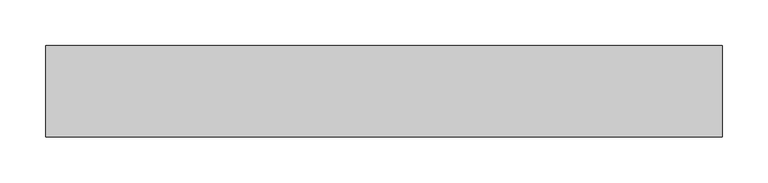
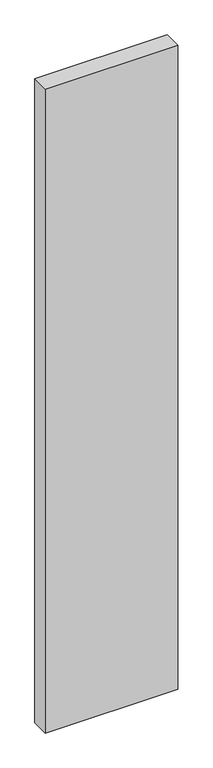
"""IFC4 building model written with IfcOpenShell, lengths in millimetres: proxy geometry."""

from ifc_helpers import new_model, si_unit, frame, origin, place, context, project, spatial, polyline, outline, extrude, source, transform, mapped, element, save


def generic_models_feb0ceb7(model_context):
    return source(origin(), model_context, "Body", "SweptSolid", [
        extrude(outline(polyline([(740.0, 100.0), (740.0, 0.0), (0.0, 0.0), (0.0, 100.0), (740.0, 100.0)])), frame((0.0, 0.0, -3800.0), z_axis=(0.0, 0.0, 1.0), x_axis=(1.0, 0.0, 0.0)), (0.0, 0.0, 1.0), 3800.0),
    ])


if __name__ == "__main__":
    model = new_model("IFC4")
    model_context = context("Model", 3, world=origin())
    ifc_project = project(units=[si_unit("LENGTHUNIT", "METRE", prefix="MILLI")], contexts=[model_context])
    site = spatial("IfcSite", under=ifc_project)
    building = spatial("IfcBuilding", under=site)
    placement = place(None, origin())
    generic_models_shape = generic_models_feb0ceb7(model_context)
    element("IfcBuildingElementProxy", 1, Name="Generic Models", at=placement, inside=building, context=model_context, shape_type="MappedRepresentation", body=[
        mapped(generic_models_shape, transform((0.0, 0.0, 0.0), x_axis=(1.0, 0.0, 0.0), y_axis=(0.0, 1.0, 0.0), z_axis=(0.0, 0.0, 1.0))),
    ])
    save(model, "model.ifc")
